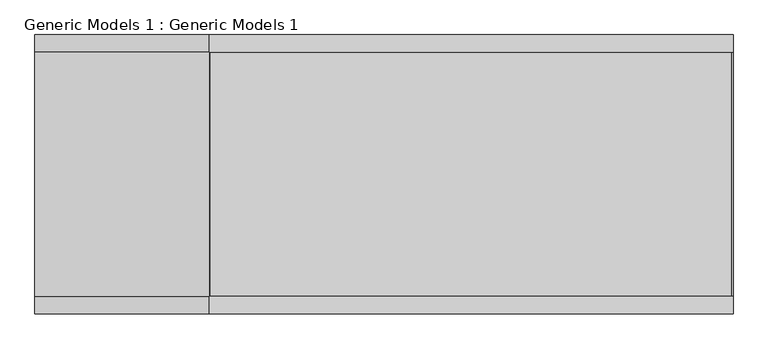
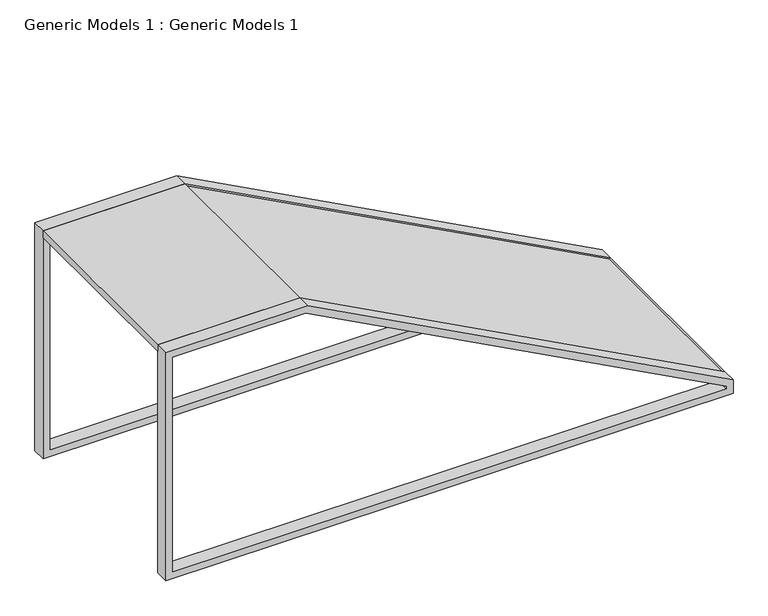
"""IFC4 building model written with IfcOpenShell, lengths in millimetres: proxy geometry, Generic Models 1 : Generic Models 1."""

from ifc_helpers import new_model, si_unit, frame, origin, place, context, project, spatial, polyline, outline, extrude, source, transform, mapped, element, save


def generic_models_1_generic_models_1_af09d384(model_context):
    return source(origin(), model_context, "Body", "SweptSolid", [
        extrude(outline(polyline([(94.0, 4919.450339), (1686.0, 1934.450339), (1676.0, 1931.950339), (88.0, 4909.450339), (94.0, 4919.450339)])), frame((0.0, 4832.221696, 0.0), z_axis=(0.0, 1.0, 0.0), x_axis=(0.0, 0.0, 1.0)), (0.0, 0.0, 1.0), 1400.0),
        extrude(outline(polyline([(1650.0, 929.450339), (1650.0, 1916.950339), (1700.0, 1929.450339), (1700.0, 929.450339), (1650.0, 929.450339)])), frame((0.0, 4832.221696, 0.0), z_axis=(0.0, 1.0, 0.0), x_axis=(0.0, 0.0, 1.0)), (0.0, 0.0, 1.0), 1400.0),
        extrude(outline(polyline([(0.0, 4879.450339), (0.0, 4929.450339), (100.0, 4929.450339), (70.0, 4879.450339), (0.0, 4879.450339)])), frame((0.0, 4832.221696, 0.0), z_axis=(0.0, 1.0, 0.0), x_axis=(0.0, 0.0, 1.0)), (0.0, 0.0, 1.0), 1400.0),
        extrude(outline(polyline([(0.0, 929.450339), (0.0, 4929.450339), (100.0, 4929.450339), (1700.0, 1929.450339), (1700.0, 929.450339), (0.0, 929.450339)]), holes=[polyline([(70.0, 4879.450339), (50.0, 4879.450339), (50.0, 979.450339), (1650.0, 979.450339), (1650.0, 1916.950339), (70.0, 4879.450339)])]), frame((0.0, 4732.221696, 0.0), z_axis=(0.0, 1.0, 0.0), x_axis=(0.0, 0.0, 1.0)), (0.0, 0.0, 1.0), 100.0),
        extrude(outline(polyline([(0.0, 929.450339), (0.0, 4929.450339), (100.0, 4929.450339), (1700.0, 1929.450339), (1700.0, 929.450339), (0.0, 929.450339)]), holes=[polyline([(70.0, 4879.450339), (50.0, 4879.450339), (50.0, 979.450339), (1650.0, 979.450339), (1650.0, 1916.950339), (70.0, 4879.450339)])]), frame((0.0, 6232.221696, 0.0), z_axis=(0.0, 1.0, 0.0), x_axis=(0.0, 0.0, 1.0)), (0.0, 0.0, 1.0), 100.0),
    ])


if __name__ == "__main__":
    model = new_model("IFC4")
    model_context = context("Model", 3, world=origin())
    ifc_project = project(units=[si_unit("LENGTHUNIT", "METRE", prefix="MILLI")], contexts=[model_context])
    site = spatial("IfcSite", under=ifc_project)
    building = spatial("IfcBuilding", under=site)
    placement = place(None, origin())
    generic_models_1_generic_models_1_shape = generic_models_1_generic_models_1_af09d384(model_context)
    element("IfcBuildingElementProxy", 1, Name="Generic Models 1 : Generic Models 1", ObjectType="Generic Models 1 : Generic Models 1", at=placement, inside=building, context=model_context, shape_type="MappedRepresentation", body=[
        mapped(generic_models_1_generic_models_1_shape, transform((0.0, 0.0, 0.0), x_axis=(1.0, 0.0, 0.0), y_axis=(0.0, 1.0, 0.0), z_axis=(0.0, 0.0, 1.0))),
    ])
    save(model, "model.ifc")
